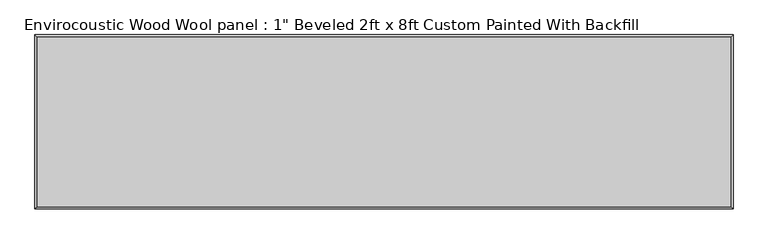
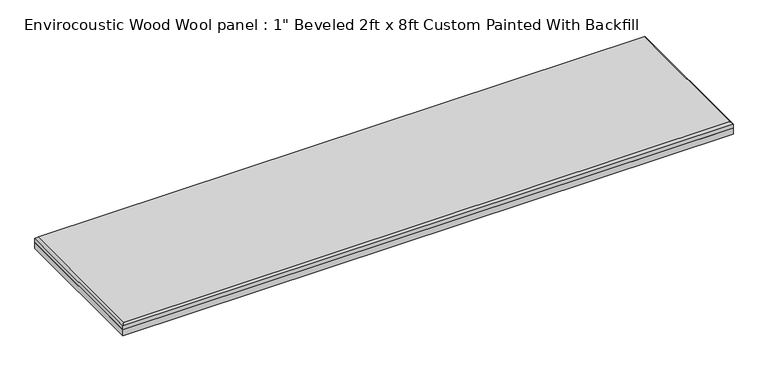
"""IFC4 building model written with IfcOpenShell, lengths in millimetres: proxy geometry."""

from ifc_helpers import new_model, si_unit, origin, origin_with_axes, place, context, project, spatial, polyline, outline, extrude, faceted_brep, source, transform, mapped, element, save


def proxy_f9f8b967(model_context):
    return source(origin(), model_context, "Body", "SolidModel", [
        extrude(outline(polyline([(1219.2, 304.8), (1219.2, -304.8), (-1219.2, -304.8), (-1219.2, 304.8), (1219.2, 304.8)])), origin_with_axes(), (0.0, 0.0, 1.0), 25.4),
        faceted_brep([(1211.199, 296.799, 50.8), (-1211.199, 296.799, 50.8), (-1211.199, -296.799, 50.8), (1211.199, -296.799, 50.8), (-1219.2, 304.8, 25.4), (1219.2, 304.8, 25.4), (1219.2, -304.8, 25.4), (-1219.2, -304.8, 25.4), (-1219.2, -304.8, 42.799), (-1219.2, 304.8, 42.799), (1219.2, -304.8, 42.799), (1219.2, 304.8, 42.799)], [[[0, 1, 2, 3]], [[4, 5, 6, 7]], [[4, 7, 8, 9]], [[7, 6, 10, 8]], [[6, 5, 11, 10]], [[5, 4, 9, 11]], [[9, 1, 0, 11]], [[1, 9, 8, 2]], [[2, 8, 10, 3]], [[11, 0, 3, 10]]]),
    ])


if __name__ == "__main__":
    model = new_model("IFC4")
    model_context = context("Model", 3, world=origin())
    ifc_project = project(units=[si_unit("LENGTHUNIT", "METRE", prefix="MILLI")], contexts=[model_context])
    site = spatial("IfcSite", under=ifc_project)
    building = spatial("IfcBuilding", under=site)
    placement = place(None, origin())
    proxy_shape = proxy_f9f8b967(model_context)
    element("IfcBuildingElementProxy", 1, Name="Envirocoustic Wood Wool panel : 1\" Beveled 2ft x 8ft Custom Painted With Backfill", ObjectType="Envirocoustic Wood Wool panel : 1\" Beveled 2ft x 8ft Custom Painted With Backfill", at=placement, inside=building, context=model_context, shape_type="MappedRepresentation", body=[
        mapped(proxy_shape, transform((0.0, 0.0, 0.0), x_axis=(1.0, 0.0, 0.0), y_axis=(0.0, 1.0, 0.0), z_axis=(0.0, 0.0, 1.0))),
    ])
    save(model, "model.ifc")
